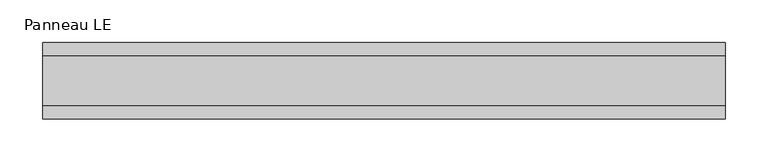
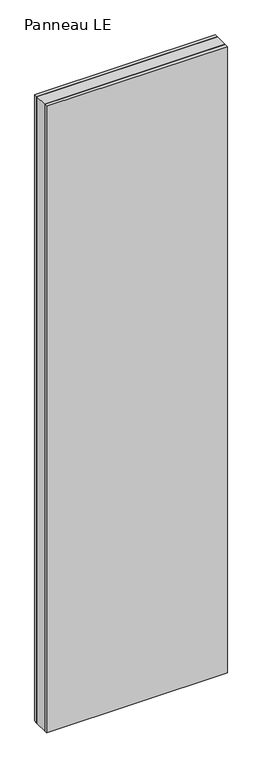
"""IFC4 building model written with IfcOpenShell, lengths in millimetres: plate geometry, Panneau LE."""

from ifc_helpers import new_model, si_unit, origin, origin_with_axes, place, context, project, spatial, polyline, outline, extrude, source, transform, mapped, element, save


def panneau_le_5a228576(model_context):
    return source(origin(), model_context, "Body", "SweptSolid", [
        extrude(outline(polyline([(400.3847577, 29.0), (400.3847577, -29.0), (-400.3847577, -29.0), (-400.3847577, 29.0), (400.3847577, 29.0)])), origin_with_axes(), (0.0, 0.0, 1.0), 2933.0),
        extrude(outline(polyline([(400.3847577, 45.0), (400.3847577, 29.0), (-400.3847577, 29.0), (-400.3847577, 45.0), (400.3847577, 45.0)])), origin_with_axes(), (0.0, 0.0, 1.0), 2933.0),
        extrude(outline(polyline([(-400.3847577, -45.0), (-400.3847577, -29.0), (400.3847577, -29.0), (400.3847577, -45.0), (-400.3847577, -45.0)])), origin_with_axes(), (0.0, 0.0, 1.0), 2933.0),
    ])


if __name__ == "__main__":
    model = new_model("IFC4")
    model_context = context("Model", 3, world=origin())
    ifc_project = project(units=[si_unit("LENGTHUNIT", "METRE", prefix="MILLI")], contexts=[model_context])
    site = spatial("IfcSite", under=ifc_project)
    building = spatial("IfcBuilding", under=site)
    placement = place(None, origin())
    panneau_le_shape = panneau_le_5a228576(model_context)
    element("IfcPlate", 1, ObjectType="Panneau LE", at=placement, inside=building, context=model_context, shape_type="MappedRepresentation", body=[
        mapped(panneau_le_shape, transform((0.0, 0.0, 0.0), x_axis=(1.0, 0.0, 0.0), y_axis=(0.0, 1.0, 0.0), z_axis=(0.0, 0.0, 1.0))),
    ])
    save(model, "model.ifc")
